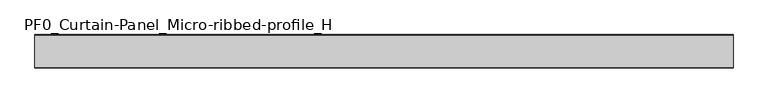
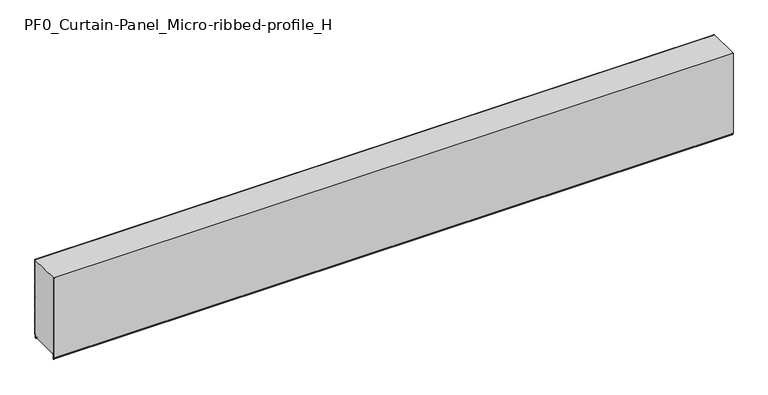
"""IFC4 building model written with IfcOpenShell, lengths in millimetres: plate geometry, PF0_Curtain-Panel_Micro-ribbed-profile_H."""

from ifc_helpers import new_model, si_unit, point, frame, frame_2d, origin, place, context, project, spatial, polyline, circle_curve, trimmed, segment, composite_curve, outline, extrude, source, transform, mapped, element, save


def pf0_curtain_panel_micro_ribbed_profile_h_6c8f3653(model_context):
    return source(origin(), model_context, "Body", "SweptSolid", [
        extrude(outline(composite_curve([segment(polyline([(-15.878557, 0.0), (-20.0, 0.0), (-20.0, 0.8), (-15.878557, 0.8)]), True, "CONTINUOUS"), segment(trimmed(circle_curve(frame_2d((-15.878557, -2.0)), 2.8), [point((-15.878557, 0.8))], [point((-13.1503208, -1.370137))], False, "CARTESIAN"), True, "CONTINUOUS"), segment(polyline([(-13.1503208, -1.370137), (-11.728236, -7.529863)]), True, "CONTINUOUS"), segment(trimmed(circle_curve(frame_2d((-9.0, -6.9)), 2.8), [point((-11.728236, -7.529863))], [point((-6.2, -6.9))], True, "CARTESIAN"), True, "CONTINUOUS"), segment(polyline([(-6.2, -6.9), (-6.2, 8.6)]), True, "CONTINUOUS"), segment(trimmed(circle_curve(frame_2d((-3.4, 8.6)), 2.8), [point((-6.2, 8.6))], [point((-3.4, 11.4))], False, "CARTESIAN"), True, "CONTINUOUS"), segment(polyline([(-3.4, 11.4), (-2.0, 11.4)]), True, "CONTINUOUS"), segment(trimmed(circle_curve(frame_2d((-2.0, 12.6)), 1.2), [point((-2.0, 11.4))], [point((-0.8, 12.6))], True, "CARTESIAN"), True, "CONTINUOUS"), segment(polyline([(-0.8, 12.6), (-0.8, 57.6856412), (-2.482606, 60.6), (-0.8, 63.5143588), (-0.8, 157.6856412), (-2.482606, 160.6), (-0.8, 163.5143588), (-0.8, 257.6856412), (-2.482606, 260.6), (-0.8, 263.5143588), (-0.8, 357.6856412), (-2.482606, 360.6), (-0.8, 363.5143588), (-0.8, 457.6856412), (-2.482606, 460.6), (-0.8, 463.5143588), (-0.8, 500.0), (0.0, 500.0), (0.0, 463.2999995), (-1.5588455, 460.6), (0.0, 457.9000005), (0.0, 363.2999995), (-1.5588455, 360.6), (0.0, 357.9000005), (0.0, 263.2999995), (-1.5588455, 260.6), (0.0, 257.9000005), (0.0, 163.2999995), (-1.5588455, 160.6), (0.0, 157.9000005), (0.0, 63.2999995), (-1.5588455, 60.6), (0.0, 57.9000005), (0.0, 12.6)]), True, "CONTINUOUS"), segment(trimmed(circle_curve(frame_2d((-2.0, 12.6)), 2.0), [point((0.0, 12.6))], [point((-2.0, 10.6))], False, "CARTESIAN"), True, "CONTINUOUS"), segment(polyline([(-2.0, 10.6), (-3.4, 10.6)]), True, "CONTINUOUS"), segment(trimmed(circle_curve(frame_2d((-3.4, 8.6)), 2.0), [point((-3.4, 10.6))], [point((-5.4, 8.6))], True, "CARTESIAN"), True, "CONTINUOUS"), segment(polyline([(-5.4, 8.6), (-5.4, -6.9)]), True, "CONTINUOUS"), segment(trimmed(circle_curve(frame_2d((-9.0, -6.9)), 3.6), [point((-5.4, -6.9))], [point((-12.5077322, -7.7098239))], False, "CARTESIAN"), True, "CONTINUOUS"), segment(polyline([(-12.5077322, -7.7098239), (-13.929817, -1.5500979)]), True, "CONTINUOUS"), segment(trimmed(circle_curve(frame_2d((-15.878557, -2.0)), 2.0), [point((-13.929817, -1.5500979))], [point((-15.878557, 0.0))], True, "CARTESIAN"), True, "CONTINUOUS")], self_intersect=False)), frame((-2100.0, 0.0, 0.0), z_axis=(1.0, 0.0, 0.0), x_axis=(0.0, 1.0, 0.0)), (0.0, 0.0, 1.0), 4200.0),
        extrude(outline(composite_curve([segment(polyline([(-190.0, 0.0), (-193.5, 0.0)]), True, "CONTINUOUS"), segment(trimmed(circle_curve(frame_2d((-193.5, -2.0)), 2.0), [point((-193.5, 0.0))], [point((-195.5, -2.0))], True, "CARTESIAN"), True, "CONTINUOUS"), segment(polyline([(-195.5, -2.0), (-195.5, -33.0)]), True, "CONTINUOUS"), segment(trimmed(circle_curve(frame_2d((-196.5, -33.0)), 1.0), [point((-195.5, -33.0))], [point((-197.5, -33.0))], False, "CARTESIAN"), True, "CONTINUOUS"), segment(polyline([(-197.5, -33.0), (-197.5, -26.9)]), True, "CONTINUOUS"), segment(trimmed(circle_curve(frame_2d((-198.4, -26.9)), 0.9), [point((-197.5, -26.9))], [point((-198.4, -26.0))], True, "CARTESIAN"), True, "CONTINUOUS"), segment(trimmed(circle_curve(frame_2d((-198.4, -24.4)), 1.6), [point((-198.4, -26.0))], [point((-200.0, -24.4))], False, "CARTESIAN"), True, "CONTINUOUS"), segment(polyline([(-200.0, -24.4), (-200.0, 500.0), (-199.2, 500.0), (-199.2, -24.4)]), True, "CONTINUOUS"), segment(trimmed(circle_curve(frame_2d((-198.4, -24.4)), 0.8), [point((-199.2, -24.4))], [point((-198.4, -25.2))], True, "CARTESIAN"), True, "CONTINUOUS"), segment(trimmed(circle_curve(frame_2d((-198.6133333, -26.9)), 1.7133333), [point((-198.4, -25.2))], [point((-196.9, -26.9))], False, "CARTESIAN"), True, "CONTINUOUS"), segment(polyline([(-196.9, -26.9), (-196.9, -32.8700312)]), True, "CONTINUOUS"), segment(trimmed(circle_curve(frame_2d((-196.6, -32.8700312)), 0.3), [point((-196.9, -32.8700312))], [point((-196.3, -32.8700312))], True, "CARTESIAN"), True, "CONTINUOUS"), segment(polyline([(-196.3, -32.8700312), (-196.3, -2.0)]), True, "CONTINUOUS"), segment(trimmed(circle_curve(frame_2d((-193.5, -2.0)), 2.8), [point((-196.3, -2.0))], [point((-193.5, 0.8))], False, "CARTESIAN"), True, "CONTINUOUS"), segment(polyline([(-193.5, 0.8), (-190.0, 0.8), (-190.0, 0.0)]), True, "CONTINUOUS")], self_intersect=False)), frame((-2100.0, 0.0, 0.0), z_axis=(1.0, 0.0, 0.0), x_axis=(0.0, 1.0, 0.0)), (0.0, 0.0, 1.0), 4200.0),
        extrude(outline(composite_curve([segment(polyline([(-190.0, 0.8), (-193.5, 0.8)]), True, "CONTINUOUS"), segment(trimmed(circle_curve(frame_2d((-193.5, -2.0)), 2.8), [point((-193.5, 0.8))], [point((-196.3, -2.0))], True, "CARTESIAN"), True, "CONTINUOUS"), segment(polyline([(-196.3, -2.0), (-196.3, -32.8700312)]), True, "CONTINUOUS"), segment(trimmed(circle_curve(frame_2d((-196.6, -32.8700312)), 0.3), [point((-196.3, -32.8700312))], [point((-196.9, -32.8700312))], False, "CARTESIAN"), True, "CONTINUOUS"), segment(polyline([(-196.9, -32.8700312), (-196.9, -26.9)]), True, "CONTINUOUS"), segment(trimmed(circle_curve(frame_2d((-198.6133333, -26.9)), 1.7133333), [point((-196.9, -26.9))], [point((-198.4, -25.2))], True, "CARTESIAN"), True, "CONTINUOUS"), segment(trimmed(circle_curve(frame_2d((-198.4, -24.4)), 0.8), [point((-198.4, -25.2))], [point((-199.2, -24.4))], False, "CARTESIAN"), True, "CONTINUOUS"), segment(polyline([(-199.2, -24.4), (-199.2, 500.0), (-0.8, 500.0), (-0.8, 463.5143588), (-2.482606, 460.6), (-0.8, 457.6856412), (-0.8, 363.5143588), (-2.482606, 360.6), (-0.8, 357.6856412), (-0.8, 263.5143588), (-2.482606, 260.6), (-0.8, 257.6856412), (-0.8, 163.5143588), (-2.482606, 160.6), (-0.8, 157.6856412), (-0.8, 63.5143588), (-2.482606, 60.6), (-0.8, 57.6856412), (-0.8, 12.6)]), True, "CONTINUOUS"), segment(trimmed(circle_curve(frame_2d((-2.0, 12.6)), 1.2), [point((-0.8, 12.6))], [point((-2.0, 11.4))], False, "CARTESIAN"), True, "CONTINUOUS"), segment(polyline([(-2.0, 11.4), (-3.4, 11.4)]), True, "CONTINUOUS"), segment(trimmed(circle_curve(frame_2d((-3.4, 8.6)), 2.8), [point((-3.4, 11.4))], [point((-6.2, 8.6))], True, "CARTESIAN"), True, "CONTINUOUS"), segment(polyline([(-6.2, 8.6), (-6.2, -6.9)]), True, "CONTINUOUS"), segment(trimmed(circle_curve(frame_2d((-9.0, -6.9)), 2.8), [point((-6.2, -6.9))], [point((-11.7282362, -7.529863))], False, "CARTESIAN"), True, "CONTINUOUS"), segment(polyline([(-11.7282362, -7.529863), (-13.1503208, -1.370137)]), True, "CONTINUOUS"), segment(trimmed(circle_curve(frame_2d((-15.878557, -2.0)), 2.8), [point((-13.1503208, -1.370137))], [point((-15.878557, 0.8))], True, "CARTESIAN"), True, "CONTINUOUS"), segment(polyline([(-15.878557, 0.8), (-20.0, 0.8), (-20.0, 0.0), (-190.0, 0.0), (-190.0, 0.8)]), True, "CONTINUOUS")], self_intersect=False)), frame((-2100.0, 0.0, 0.0), z_axis=(1.0, 0.0, 0.0), x_axis=(0.0, 1.0, 0.0)), (0.0, 0.0, 1.0), 4200.0),
    ])


if __name__ == "__main__":
    model = new_model("IFC4")
    model_context = context("Model", 3, world=origin())
    ifc_project = project(units=[si_unit("LENGTHUNIT", "METRE", prefix="MILLI")], contexts=[model_context])
    site = spatial("IfcSite", under=ifc_project)
    building = spatial("IfcBuilding", under=site)
    placement = place(None, origin())
    pf0_curtain_panel_micro_ribbed_profile_h_shape = pf0_curtain_panel_micro_ribbed_profile_h_6c8f3653(model_context)
    element("IfcPlate", 1, ObjectType="PF0_Curtain-Panel_Micro-ribbed-profile_H", at=placement, inside=building, context=model_context, shape_type="MappedRepresentation", body=[
        mapped(pf0_curtain_panel_micro_ribbed_profile_h_shape, transform((0.0, 0.0, 0.0), x_axis=(1.0, 0.0, 0.0), y_axis=(0.0, 1.0, 0.0), z_axis=(0.0, 0.0, 1.0))),
    ])
    save(model, "model.ifc")
